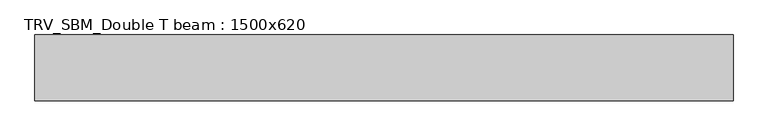
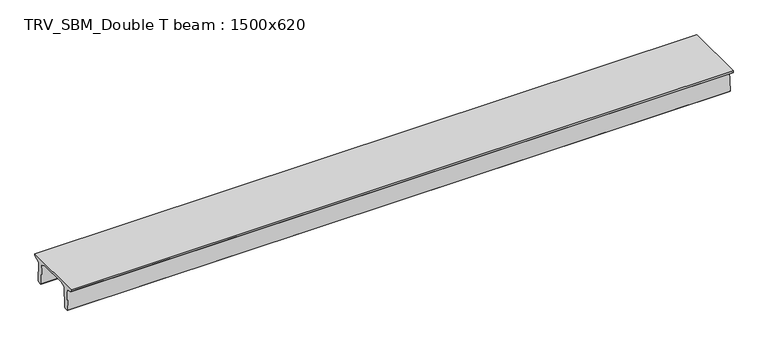
"""IFC4 building model written with IfcOpenShell, lengths in millimetres: beam geometry, TRV_SBM_Double T beam : 1500x620."""

from ifc_helpers import new_model, si_unit, frame, origin, place, context, project, spatial, polyline, outline, extrude, source, transform, mapped, element, save


def trv_sbm_double_t_beam_1500x620_8d756762(model_context):
    return source(origin(), model_context, "Body", "SweptSolid", [
        extrude(outline(polyline([(-765.0, 215.0), (-765.0, 260.0), (735.0, 260.0), (735.0, 215.0), (728.2094488, 201.315559), (578.0626443, 140.6523122), (594.8277662, -339.4379646), (574.2657308, -360.0), (484.2657308, -360.0), (464.786332, -340.5206011), (447.8600761, 144.18395), (338.3237744, 210.0), (-367.4555014, 210.0), (-476.5389732, 151.9992892), (-507.0080378, -339.3850967), (-527.622941, -360.0), (-615.122941, -360.0), (-637.1143055, -338.0086356), (-606.1572167, 162.687806), (-761.3068466, 204.260024), (-765.0, 215.0)])), frame((-7904.5, 0.0, 0.0), z_axis=(1.0, 0.0, 0.0), x_axis=(0.0, 1.0, 0.0)), (0.0, 0.0, 1.0), 15886.0),
    ])


if __name__ == "__main__":
    model = new_model("IFC4")
    model_context = context("Model", 3, world=origin())
    ifc_project = project(units=[si_unit("LENGTHUNIT", "METRE", prefix="MILLI")], contexts=[model_context])
    site = spatial("IfcSite", under=ifc_project)
    building = spatial("IfcBuilding", under=site)
    placement = place(None, origin())
    trv_sbm_double_t_beam_1500x620_shape = trv_sbm_double_t_beam_1500x620_8d756762(model_context)
    element("IfcBeam", 1, ObjectType="TRV_SBM_Double T beam : 1500x620", at=placement, inside=building, context=model_context, shape_type="MappedRepresentation", body=[
        mapped(trv_sbm_double_t_beam_1500x620_shape, transform((0.0, 0.0, 0.0), x_axis=(1.0, 0.0, 0.0), y_axis=(0.0, 1.0, 0.0), z_axis=(0.0, 0.0, 1.0))),
    ])
    save(model, "model.ifc")
